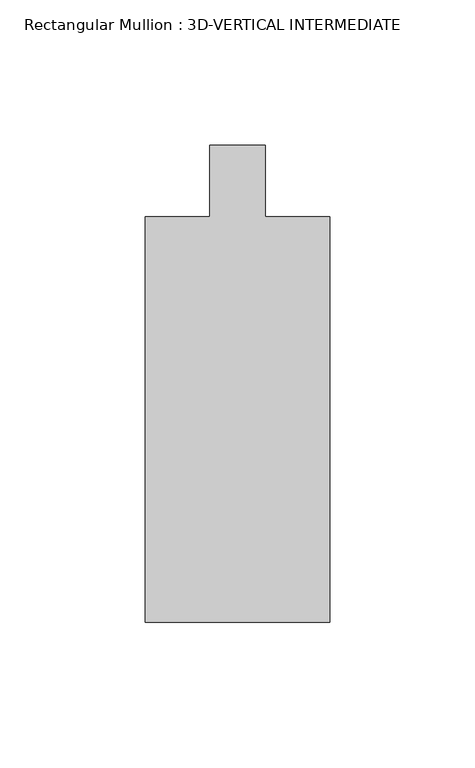
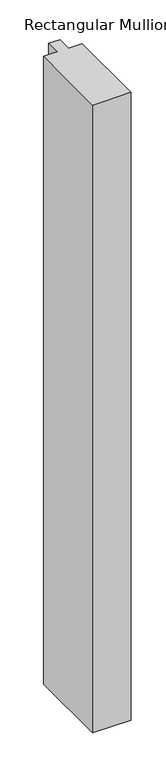
"""IFC4 building model written with IfcOpenShell, lengths in millimetres: member geometry, Rectangular Mullion : 3D-VERTICAL INTERMEDIATE."""

import ifcopenshell
import ifcopenshell.guid

model = None  # the IFC model being written
_history = None  # IfcOwnerHistory: only IFC2X3 demands one
_inside = {}  # id of a spatial element -> (the spatial element, [elements in it])
_under = {}  # id of a project, library or spatial element -> (it, [spatial elements below it])
_declared = {}  # id of a project -> (the project, [libraries it declares])
_typed = {}  # id of a type object -> (the type object, [elements of that type])
_made_of = {}  # id of a material, layer set ... -> (it, [elements and type objects made of it])


def new_model(schema):
    """Start an empty IFC model of exactly this schema.

    Asked for "IFC4X3", IfcOpenShell would pick the latest addendum, in which some entities
    have other attributes; the version numbers below select the first issue.
    IFC2X3 requires an IfcOwnerHistory on every rooted entity: one is made here for all.
    """
    global model, _history
    if schema == "IFC4X3":
        model = ifcopenshell.file(schema_version=(4, 3, 0, 0))
    else:
        model = ifcopenshell.file(schema=schema)
    _inside.clear()
    _under.clear()
    _declared.clear()
    _typed.clear()
    _made_of.clear()
    _history = None
    if model.schema == "IFC2X3":
        org = make("IfcOrganization", Name="unknown")
        user = make(
            "IfcPersonAndOrganization",
            ThePerson=make("IfcPerson", FamilyName="unknown"),
            TheOrganization=org,
        )
        app = make(
            "IfcApplication",
            ApplicationDeveloper=org,
            Version="unknown",
            ApplicationFullName="unknown",
            ApplicationIdentifier="unknown",
        )
        _history = make(
            "IfcOwnerHistory",
            OwningUser=user,
            OwningApplication=app,
            ChangeAction="ADDED",
            CreationDate=0,
        )
    return model


def make(cls, **values):
    """One entity of the class cls with the attributes given. An attribute that is None is left unset."""
    return model.create_entity(
        cls, **{name: value for name, value in values.items() if value is not None}
    )


def rooted(cls, **values):
    """An entity with a GlobalId (a new one), such as an element, a storey or a relation."""
    return make(cls, GlobalId=ifcopenshell.guid.new(), OwnerHistory=_history, **values)


def si_unit(unit_type, name, prefix=None):
    """IfcSIUnit, for example si_unit("LENGTHUNIT", "METRE", prefix="MILLI")."""
    return make("IfcSIUnit", UnitType=unit_type, Prefix=prefix, Name=name)


def assignment(units):
    """IfcUnitAssignment: the units of a project."""
    return None if units is None else make("IfcUnitAssignment", Units=units)


def point(xyz):
    """IfcCartesianPoint."""
    return None if xyz is None else make("IfcCartesianPoint", Coordinates=xyz)


def direction(xyz):
    """IfcDirection."""
    return None if xyz is None else make("IfcDirection", DirectionRatios=xyz)


def frame(location, z_axis=None, x_axis=None):
    """IfcAxis2Placement3D, a coordinate frame: its origin and axes. An axis left out is left unset."""
    return make(
        "IfcAxis2Placement3D",
        Location=point(location),
        Axis=direction(z_axis),
        RefDirection=direction(x_axis),
    )


def origin():
    """The frame at (0, 0, 0) with its axes left unset."""
    return frame((0.0, 0.0, 0.0))


def place(relative_to, where):
    """IfcLocalPlacement: puts the frame where relative to a parent placement (None: the world)."""
    return make(
        "IfcLocalPlacement", PlacementRelTo=relative_to, RelativePlacement=where
    )


def context(
    kind, dimensions, precision=None, world=None, true_north=None, identifier=None
):
    """IfcGeometricRepresentationContext, for example the 3D "Model" context."""
    return make(
        "IfcGeometricRepresentationContext",
        ContextIdentifier=identifier,
        ContextType=kind,
        CoordinateSpaceDimension=dimensions,
        Precision=precision,
        WorldCoordinateSystem=world,
        TrueNorth=true_north,
    )


def project(units=None, contexts=None):
    """IfcProject with its units and contexts."""
    return rooted(
        "IfcProject",
        Name="project",
        RepresentationContexts=contexts,
        UnitsInContext=assignment(units),
    )


def spatial(cls, under=None, at=None, **own):
    """A site, building, storey or space (cls), placed at a placement, below another one or the project."""
    s = rooted(cls, ObjectPlacement=at, **own)
    if under is not None:
        _under.setdefault(under.id(), (under, []))[1].append(s)
    return s


def polyline(points):
    """IfcPolyline through the points."""
    return make("IfcPolyline", Points=[point(p) for p in points])


def outline(outer, holes=None, kind="AREA"):
    """IfcArbitraryClosedProfileDef: a profile drawn as a closed curve; with holes, ...WithVoids."""
    if holes is None:
        return make("IfcArbitraryClosedProfileDef", ProfileType=kind, OuterCurve=outer)
    return make(
        "IfcArbitraryProfileDefWithVoids",
        ProfileType=kind,
        OuterCurve=outer,
        InnerCurves=holes,
    )


def extrude(swept, where, along, depth):
    """IfcExtrudedAreaSolid: the profile swept, set in the frame where, extruded along a direction by depth."""
    return make(
        "IfcExtrudedAreaSolid",
        SweptArea=swept,
        Position=where,
        ExtrudedDirection=direction(along),
        Depth=depth,
    )


def shape(context_of_items, identifier, shape_type, items):
    """IfcShapeRepresentation: the items that make up one representation, for example the "Body"."""
    return make(
        "IfcShapeRepresentation",
        ContextOfItems=context_of_items,
        RepresentationIdentifier=identifier,
        RepresentationType=shape_type,
        Items=items,
    )


def source(mapping_origin, context_of_items, identifier, shape_type, items):
    """IfcRepresentationMap: a shape defined once, which mapped items show again and again."""
    return make(
        "IfcRepresentationMap",
        MappingOrigin=mapping_origin,
        MappedRepresentation=shape(context_of_items, identifier, shape_type, items),
    )


def transform(
    local_origin,
    x_axis=None,
    y_axis=None,
    z_axis=None,
    scale=None,
    scale2=None,
    scale3=None,
    uniform=True,
):
    """IfcCartesianTransformationOperator3D, or its non-uniform kind. x_axis, y_axis, z_axis: its Axis1, 2, 3."""
    if uniform:
        return make(
            "IfcCartesianTransformationOperator3D",
            Axis1=direction(x_axis),
            Axis2=direction(y_axis),
            LocalOrigin=point(local_origin),
            Scale=scale,
            Axis3=direction(z_axis),
        )
    return make(
        "IfcCartesianTransformationOperator3DnonUniform",
        Axis1=direction(x_axis),
        Axis2=direction(y_axis),
        LocalOrigin=point(local_origin),
        Scale=scale,
        Axis3=direction(z_axis),
        Scale2=scale2,
        Scale3=scale3,
    )


def mapped(mapping_source, mapping_target):
    """IfcMappedItem: shows the shape of a source again, moved by a transform."""
    return make(
        "IfcMappedItem", MappingSource=mapping_source, MappingTarget=mapping_target
    )


def made_of(thing, what):
    """Note that an element or type object is made of a material, layer set ...; save() writes the relation."""
    if what is not None:
        _made_of.setdefault(what.id(), (what, []))[1].append(thing)
    return thing


def element(
    cls,
    number,
    at=None,
    inside=None,
    cuts=None,
    type_object=None,
    material=None,
    context=None,
    identifier="Body",
    shape_type=None,
    held_by="IfcProductDefinitionShape",
    body=None,
    shapes=None,
    **own,
):
    """One element of the class cls, such as IfcWall. Its Tag is "e" and its number.

    at: its placement. inside: the storey or other place that contains it. cuts: it is an
    opening in that element (IfcRelVoidsElement). A single representation is given by context,
    identifier, shape_type and body (its items); several are given by shapes. held_by: the class
    of the entity that holds the representations. save() writes the other relations.
    """
    e = rooted(cls, Tag="e%d" % number, ObjectPlacement=at, **own)
    if body is not None:
        shapes = [shape(context, identifier, shape_type, body)]
    if shapes is not None:
        e.Representation = make(held_by, Representations=shapes)
    if inside is not None:
        _inside.setdefault(inside.id(), (inside, []))[1].append(e)
    if cuts is not None:
        rooted(
            "IfcRelVoidsElement", RelatingBuildingElement=cuts, RelatedOpeningElement=e
        )
    if type_object is not None:
        _typed.setdefault(type_object.id(), (type_object, []))[1].append(e)
    return made_of(e, material)


def aggregate(whole, parts):
    """IfcRelAggregates: a whole, such as a stair, and the parts it consists of."""
    return rooted("IfcRelAggregates", RelatingObject=whole, RelatedObjects=parts)


def save(model, path):
    """Write the relations noted so far, then the file.

    IfcRelAggregates (storeys below a building ...), IfcRelContainedInSpatialStructure (elements
    in a storey), IfcRelDefinesByType, IfcRelAssociatesMaterial and IfcRelDeclares: one each for
    every whole, place, type object, material and project.
    """
    for whole, parts in _under.values():
        aggregate(whole, parts)
    for where, things in _inside.values():
        rooted(
            "IfcRelContainedInSpatialStructure",
            RelatedElements=things,
            RelatingStructure=where,
        )
    for kind, things in _typed.values():
        rooted("IfcRelDefinesByType", RelatedObjects=things, RelatingType=kind)
    for what, things in _made_of.values():
        rooted("IfcRelAssociatesMaterial", RelatedObjects=things, RelatingMaterial=what)
    for by, libraries in _declared.values():
        rooted("IfcRelDeclares", RelatingContext=by, RelatedDefinitions=libraries)
    model.write(path)


def rectangular_mullion_3d_vertical_intermediate_706070ac(model_context):
    return source(origin(), model_context, "Body", "SweptSolid", [
        extrude(outline(polyline([(31.75, -167.5804687), (-31.75, -167.5804687), (-31.75, -27.8804738), (-9.5251132, -27.8804738), (-9.5251132, -3.2619184), (9.5251132, -3.2619184), (9.5251132, -27.8804738), (31.75, -27.8804738), (31.75, -167.5804687)])), frame((0.0, 0.0, -1091.7103332), z_axis=(0.0, 0.0, 1.0), x_axis=(1.0, 0.0, 0.0)), (0.0, 0.0, 1.0), 1091.7103332),
    ])


if __name__ == "__main__":
    model = new_model("IFC4")
    model_context = context("Model", 3, world=origin())
    ifc_project = project(units=[si_unit("LENGTHUNIT", "METRE", prefix="MILLI")], contexts=[model_context])
    site = spatial("IfcSite", under=ifc_project)
    building = spatial("IfcBuilding", under=site)
    placement = place(None, origin())
    rectangular_mullion_3d_vertical_intermediate_shape = rectangular_mullion_3d_vertical_intermediate_706070ac(model_context)
    element("IfcMember", 1, ObjectType="Rectangular Mullion : 3D-VERTICAL INTERMEDIATE", at=placement, inside=building, context=model_context, shape_type="MappedRepresentation", body=[
        mapped(rectangular_mullion_3d_vertical_intermediate_shape, transform((0.0, 0.0, 0.0), x_axis=(1.0, 0.0, 0.0), y_axis=(0.0, 1.0, 0.0), z_axis=(0.0, 0.0, 1.0))),
    ])
    save(model, "model.ifc")
